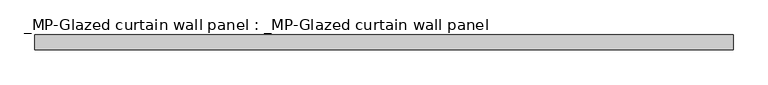
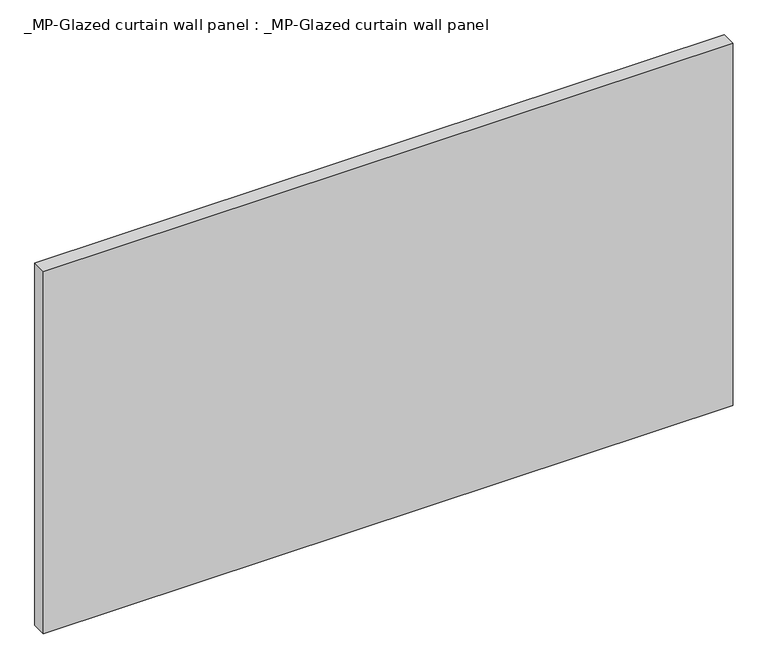
"""IFC4 building model written with IfcOpenShell, lengths in millimetres: plate geometry, _MP-Glazed curtain wall panel : _MP-Glazed curtain wall panel."""

from ifc_helpers import new_model, si_unit, frame, origin, place, context, project, spatial, polyline, outline, extrude, source, transform, mapped, element, save


def mp_glazed_curtain_wall_panel_mp_glazed_curtain_wall_panel_0a846175(model_context):
    return source(origin(), model_context, "Body", "SweptSolid", [
        extrude(outline(polyline([(716.5, 30.0), (-716.5, 30.0), (-716.5, 60.0), (716.5, 60.0), (716.5, 30.0)])), frame((0.0, 0.0, -14.0), z_axis=(0.0, 0.0, 1.0), x_axis=(1.0, 0.0, 0.0)), (0.0, 0.0, 1.0), 796.0341184),
    ])


if __name__ == "__main__":
    model = new_model("IFC4")
    model_context = context("Model", 3, world=origin())
    ifc_project = project(units=[si_unit("LENGTHUNIT", "METRE", prefix="MILLI")], contexts=[model_context])
    site = spatial("IfcSite", under=ifc_project)
    building = spatial("IfcBuilding", under=site)
    placement = place(None, origin())
    mp_glazed_curtain_wall_panel_mp_glazed_curtain_wall_panel_shape = mp_glazed_curtain_wall_panel_mp_glazed_curtain_wall_panel_0a846175(model_context)
    element("IfcPlate", 1, ObjectType="_MP-Glazed curtain wall panel : _MP-Glazed curtain wall panel", at=placement, inside=building, context=model_context, shape_type="MappedRepresentation", body=[
        mapped(mp_glazed_curtain_wall_panel_mp_glazed_curtain_wall_panel_shape, transform((0.0, 0.0, 0.0), x_axis=(1.0, 0.0, 0.0), y_axis=(0.0, 1.0, 0.0), z_axis=(0.0, 0.0, 1.0))),
    ])
    save(model, "model.ifc")
